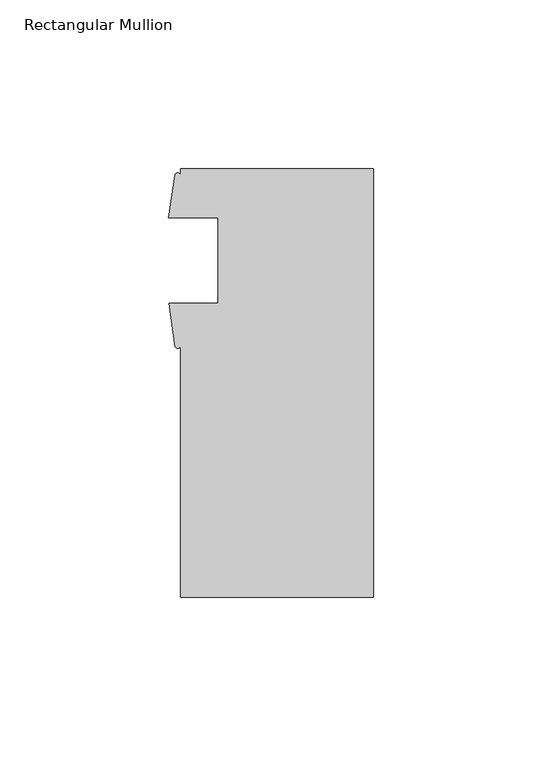
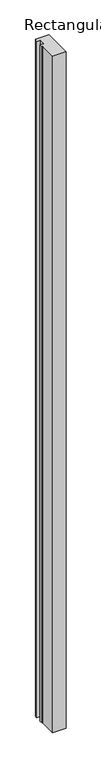
"""IFC4 building model written with IfcOpenShell, lengths in millimetres: member geometry, Rectangular Mullion."""

from ifc_helpers import new_model, si_unit, point, frame, frame_2d, origin, place, context, project, spatial, polyline, circle_curve, trimmed, segment, composite_curve, outline, extrude, source, transform, mapped, element, save


def rectangular_mullion_d7d673e2(model_context):
    return source(origin(), model_context, "Body", "SweptSolid", [
        extrude(outline(composite_curve([segment(polyline([(-57.15, 69.1906309), (0.0, 69.1906309), (0.0, -57.8093691), (-57.15, -57.8093691), (-57.15, 16.5158183)]), True, "CONTINUOUS"), segment(trimmed(circle_curve(frame_2d((-57.9429481, 16.894284)), 0.878637), [point((-57.15, 16.5158183))], [point((-58.7358963, 16.5158183))], False, "CARTESIAN"), True, "CONTINUOUS"), segment(polyline([(-58.7358963, 16.5158183), (-60.546, 29.2871059), (-46.0375, 29.2871059), (-46.0375, 54.6871059), (-60.6695217, 54.6871059), (-58.8134044, 67.4601587)]), True, "CONTINUOUS"), segment(trimmed(circle_curve(frame_2d((-57.9817022, 67.0029005)), 0.949112), [point((-58.8134044, 67.4601587))], [point((-57.15, 67.4601587))], False, "CARTESIAN"), True, "CONTINUOUS"), segment(polyline([(-57.15, 67.4601587), (-57.15, 69.1906309)]), True, "CONTINUOUS")], self_intersect=False)), frame((0.0, 0.0, -3048.0), z_axis=(0.0, 0.0, 1.0), x_axis=(1.0, 0.0, 0.0)), (0.0, 0.0, 1.0), 3048.0),
    ])


if __name__ == "__main__":
    model = new_model("IFC4")
    model_context = context("Model", 3, world=origin())
    ifc_project = project(units=[si_unit("LENGTHUNIT", "METRE", prefix="MILLI")], contexts=[model_context])
    site = spatial("IfcSite", under=ifc_project)
    building = spatial("IfcBuilding", under=site)
    placement = place(None, origin())
    rectangular_mullion_shape = rectangular_mullion_d7d673e2(model_context)
    element("IfcMember", 1, ObjectType="Rectangular Mullion", at=placement, inside=building, context=model_context, shape_type="MappedRepresentation", body=[
        mapped(rectangular_mullion_shape, transform((0.0, 0.0, 0.0), x_axis=(1.0, 0.0, 0.0), y_axis=(0.0, 1.0, 0.0), z_axis=(0.0, 0.0, 1.0))),
    ])
    save(model, "model.ifc")
